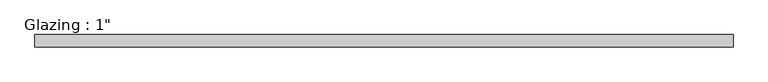
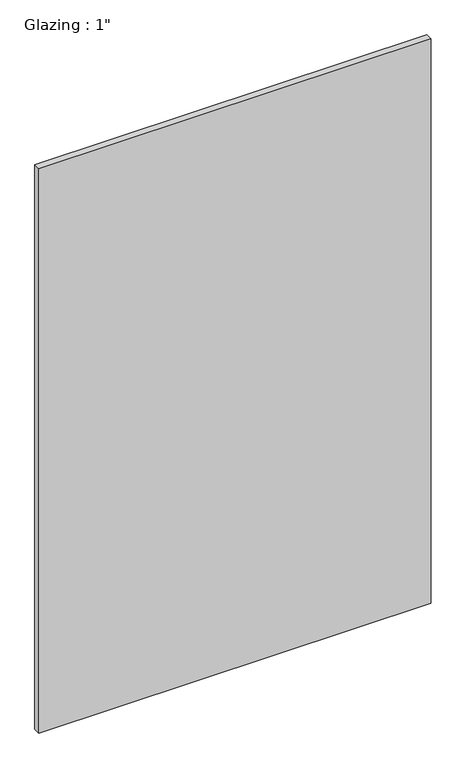
"""IFC4 building model written with IfcOpenShell, lengths in millimetres: plate geometry."""

from ifc_helpers import new_model, si_unit, origin, origin_with_axes, place, context, project, spatial, polyline, outline, extrude, source, transform, mapped, element, save


def plate_dcd3aedc(model_context):
    return source(origin(), model_context, "Body", "SweptSolid", [
        extrude(outline(polyline([(715.3949896, -12.7), (-715.3949896, -12.7), (-715.3949896, 12.7), (715.3949896, 12.7), (715.3949896, -12.7)])), origin_with_axes(), (0.0, 0.0, 1.0), 2174.7675354),
    ])


if __name__ == "__main__":
    model = new_model("IFC4")
    model_context = context("Model", 3, world=origin())
    ifc_project = project(units=[si_unit("LENGTHUNIT", "METRE", prefix="MILLI")], contexts=[model_context])
    site = spatial("IfcSite", under=ifc_project)
    building = spatial("IfcBuilding", under=site)
    placement = place(None, origin())
    plate_shape = plate_dcd3aedc(model_context)
    element("IfcPlate", 1, ObjectType="Glazing : 1\"", at=placement, inside=building, context=model_context, shape_type="MappedRepresentation", body=[
        mapped(plate_shape, transform((0.0, 0.0, 0.0), x_axis=(1.0, 0.0, 0.0), y_axis=(0.0, 1.0, 0.0), z_axis=(0.0, 0.0, 1.0))),
    ])
    save(model, "model.ifc")
